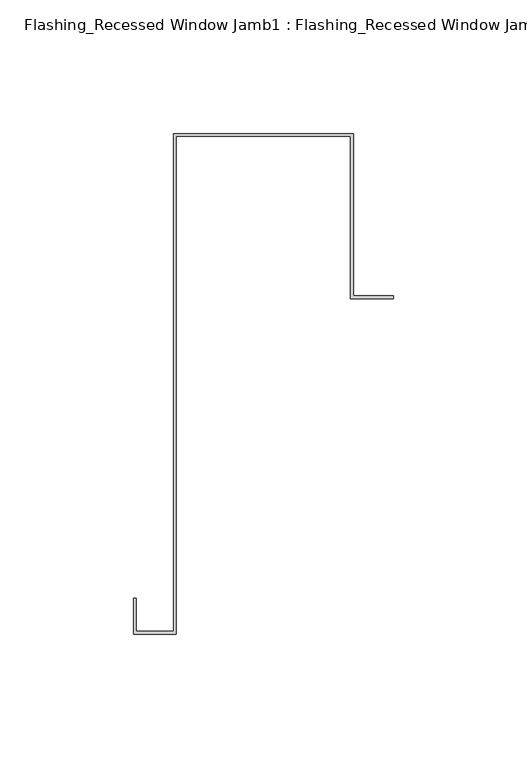
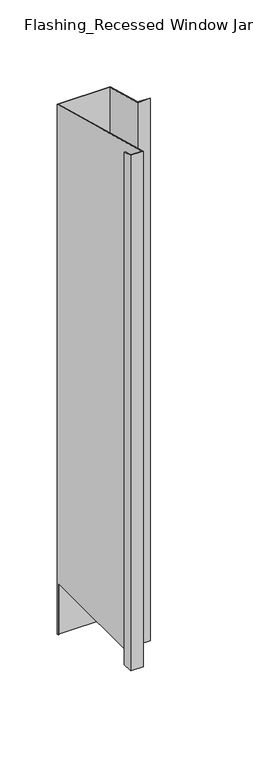
"""IFC4 building model written with IfcOpenShell, lengths in millimetres: proxy geometry, Flashing_Recessed Window Jamb1 : Flashing_Recessed Window Jamb."""

import ifcopenshell
import ifcopenshell.guid

model = None  # the IFC model being written
_history = None  # IfcOwnerHistory: only IFC2X3 demands one
_inside = {}  # id of a spatial element -> (the spatial element, [elements in it])
_under = {}  # id of a project, library or spatial element -> (it, [spatial elements below it])
_declared = {}  # id of a project -> (the project, [libraries it declares])
_typed = {}  # id of a type object -> (the type object, [elements of that type])
_made_of = {}  # id of a material, layer set ... -> (it, [elements and type objects made of it])


def new_model(schema):
    """Start an empty IFC model of exactly this schema.

    Asked for "IFC4X3", IfcOpenShell would pick the latest addendum, in which some entities
    have other attributes; the version numbers below select the first issue.
    IFC2X3 requires an IfcOwnerHistory on every rooted entity: one is made here for all.
    """
    global model, _history
    if schema == "IFC4X3":
        model = ifcopenshell.file(schema_version=(4, 3, 0, 0))
    else:
        model = ifcopenshell.file(schema=schema)
    _inside.clear()
    _under.clear()
    _declared.clear()
    _typed.clear()
    _made_of.clear()
    _history = None
    if model.schema == "IFC2X3":
        org = make("IfcOrganization", Name="unknown")
        user = make(
            "IfcPersonAndOrganization",
            ThePerson=make("IfcPerson", FamilyName="unknown"),
            TheOrganization=org,
        )
        app = make(
            "IfcApplication",
            ApplicationDeveloper=org,
            Version="unknown",
            ApplicationFullName="unknown",
            ApplicationIdentifier="unknown",
        )
        _history = make(
            "IfcOwnerHistory",
            OwningUser=user,
            OwningApplication=app,
            ChangeAction="ADDED",
            CreationDate=0,
        )
    return model


def make(cls, **values):
    """One entity of the class cls with the attributes given. An attribute that is None is left unset."""
    return model.create_entity(
        cls, **{name: value for name, value in values.items() if value is not None}
    )


def rooted(cls, **values):
    """An entity with a GlobalId (a new one), such as an element, a storey or a relation."""
    return make(cls, GlobalId=ifcopenshell.guid.new(), OwnerHistory=_history, **values)


def si_unit(unit_type, name, prefix=None):
    """IfcSIUnit, for example si_unit("LENGTHUNIT", "METRE", prefix="MILLI")."""
    return make("IfcSIUnit", UnitType=unit_type, Prefix=prefix, Name=name)


def assignment(units):
    """IfcUnitAssignment: the units of a project."""
    return None if units is None else make("IfcUnitAssignment", Units=units)


def point(xyz):
    """IfcCartesianPoint."""
    return None if xyz is None else make("IfcCartesianPoint", Coordinates=xyz)


def direction(xyz):
    """IfcDirection."""
    return None if xyz is None else make("IfcDirection", DirectionRatios=xyz)


def frame(location, z_axis=None, x_axis=None):
    """IfcAxis2Placement3D, a coordinate frame: its origin and axes. An axis left out is left unset."""
    return make(
        "IfcAxis2Placement3D",
        Location=point(location),
        Axis=direction(z_axis),
        RefDirection=direction(x_axis),
    )


def origin():
    """The frame at (0, 0, 0) with its axes left unset."""
    return frame((0.0, 0.0, 0.0))


def place(relative_to, where):
    """IfcLocalPlacement: puts the frame where relative to a parent placement (None: the world)."""
    return make(
        "IfcLocalPlacement", PlacementRelTo=relative_to, RelativePlacement=where
    )


def context(
    kind, dimensions, precision=None, world=None, true_north=None, identifier=None
):
    """IfcGeometricRepresentationContext, for example the 3D "Model" context."""
    return make(
        "IfcGeometricRepresentationContext",
        ContextIdentifier=identifier,
        ContextType=kind,
        CoordinateSpaceDimension=dimensions,
        Precision=precision,
        WorldCoordinateSystem=world,
        TrueNorth=true_north,
    )


def project(units=None, contexts=None):
    """IfcProject with its units and contexts."""
    return rooted(
        "IfcProject",
        Name="project",
        RepresentationContexts=contexts,
        UnitsInContext=assignment(units),
    )


def spatial(cls, under=None, at=None, **own):
    """A site, building, storey or space (cls), placed at a placement, below another one or the project."""
    s = rooted(cls, ObjectPlacement=at, **own)
    if under is not None:
        _under.setdefault(under.id(), (under, []))[1].append(s)
    return s


def faces_of(points, faces, orient=None, outer=None):
    """IfcFace entities. A face is a list of loops; a loop is a list of indices into points, from 0.

    orient and outer hold one flag for each loop. By default every Orientation is true, the
    first loop of a face is its IfcFaceOuterBound and the others are IfcFaceBound.
    """
    made = []
    for i, loops in enumerate(faces):
        bounds = []
        for j, loop in enumerate(loops):
            is_outer = j == 0 if outer is None else outer[i][j]
            bounds.append(
                make(
                    "IfcFaceOuterBound" if is_outer else "IfcFaceBound",
                    Bound=make("IfcPolyLoop", Polygon=[points[k] for k in loop]),
                    Orientation=True if orient is None else orient[i][j],
                )
            )
        made.append(make("IfcFace", Bounds=bounds))
    return made


def faceted_brep(points, faces, orient=None, outer=None, voids=None):
    """IfcFacetedBrep: a solid bounded by flat faces; with voids (closed shells), ...WithVoids."""
    shared = [point(p) for p in points]
    hull = make("IfcClosedShell", CfsFaces=faces_of(shared, faces, orient, outer))
    if voids is None:
        return make("IfcFacetedBrep", Outer=hull)
    return make(
        "IfcFacetedBrepWithVoids",
        Outer=hull,
        Voids=[
            make(cls, CfsFaces=faces_of(shared, fs, o, b)) for cls, fs, o, b in voids
        ],
    )


def shape(context_of_items, identifier, shape_type, items):
    """IfcShapeRepresentation: the items that make up one representation, for example the "Body"."""
    return make(
        "IfcShapeRepresentation",
        ContextOfItems=context_of_items,
        RepresentationIdentifier=identifier,
        RepresentationType=shape_type,
        Items=items,
    )


def source(mapping_origin, context_of_items, identifier, shape_type, items):
    """IfcRepresentationMap: a shape defined once, which mapped items show again and again."""
    return make(
        "IfcRepresentationMap",
        MappingOrigin=mapping_origin,
        MappedRepresentation=shape(context_of_items, identifier, shape_type, items),
    )


def transform(
    local_origin,
    x_axis=None,
    y_axis=None,
    z_axis=None,
    scale=None,
    scale2=None,
    scale3=None,
    uniform=True,
):
    """IfcCartesianTransformationOperator3D, or its non-uniform kind. x_axis, y_axis, z_axis: its Axis1, 2, 3."""
    if uniform:
        return make(
            "IfcCartesianTransformationOperator3D",
            Axis1=direction(x_axis),
            Axis2=direction(y_axis),
            LocalOrigin=point(local_origin),
            Scale=scale,
            Axis3=direction(z_axis),
        )
    return make(
        "IfcCartesianTransformationOperator3DnonUniform",
        Axis1=direction(x_axis),
        Axis2=direction(y_axis),
        LocalOrigin=point(local_origin),
        Scale=scale,
        Axis3=direction(z_axis),
        Scale2=scale2,
        Scale3=scale3,
    )


def mapped(mapping_source, mapping_target):
    """IfcMappedItem: shows the shape of a source again, moved by a transform."""
    return make(
        "IfcMappedItem", MappingSource=mapping_source, MappingTarget=mapping_target
    )


def made_of(thing, what):
    """Note that an element or type object is made of a material, layer set ...; save() writes the relation."""
    if what is not None:
        _made_of.setdefault(what.id(), (what, []))[1].append(thing)
    return thing


def element(
    cls,
    number,
    at=None,
    inside=None,
    cuts=None,
    type_object=None,
    material=None,
    context=None,
    identifier="Body",
    shape_type=None,
    held_by="IfcProductDefinitionShape",
    body=None,
    shapes=None,
    **own,
):
    """One element of the class cls, such as IfcWall. Its Tag is "e" and its number.

    at: its placement. inside: the storey or other place that contains it. cuts: it is an
    opening in that element (IfcRelVoidsElement). A single representation is given by context,
    identifier, shape_type and body (its items); several are given by shapes. held_by: the class
    of the entity that holds the representations. save() writes the other relations.
    """
    e = rooted(cls, Tag="e%d" % number, ObjectPlacement=at, **own)
    if body is not None:
        shapes = [shape(context, identifier, shape_type, body)]
    if shapes is not None:
        e.Representation = make(held_by, Representations=shapes)
    if inside is not None:
        _inside.setdefault(inside.id(), (inside, []))[1].append(e)
    if cuts is not None:
        rooted(
            "IfcRelVoidsElement", RelatingBuildingElement=cuts, RelatedOpeningElement=e
        )
    if type_object is not None:
        _typed.setdefault(type_object.id(), (type_object, []))[1].append(e)
    return made_of(e, material)


def aggregate(whole, parts):
    """IfcRelAggregates: a whole, such as a stair, and the parts it consists of."""
    return rooted("IfcRelAggregates", RelatingObject=whole, RelatedObjects=parts)


def save(model, path):
    """Write the relations noted so far, then the file.

    IfcRelAggregates (storeys below a building ...), IfcRelContainedInSpatialStructure (elements
    in a storey), IfcRelDefinesByType, IfcRelAssociatesMaterial and IfcRelDeclares: one each for
    every whole, place, type object, material and project.
    """
    for whole, parts in _under.values():
        aggregate(whole, parts)
    for where, things in _inside.values():
        rooted(
            "IfcRelContainedInSpatialStructure",
            RelatedElements=things,
            RelatingStructure=where,
        )
    for kind, things in _typed.values():
        rooted("IfcRelDefinesByType", RelatedObjects=things, RelatingType=kind)
    for what, things in _made_of.values():
        rooted("IfcRelAssociatesMaterial", RelatedObjects=things, RelatingMaterial=what)
    for by, libraries in _declared.values():
        rooted("IfcRelDeclares", RelatingContext=by, RelatedDefinitions=libraries)
    model.write(path)


def flashing_recessed_window_jamb1_flashing_recessed_window_jamb_a55a7915(model_context):
    return source(origin(), model_context, "Body", "Brep", [
        faceted_brep([(13692.8541786, 596.9865096, -1055.1751138), (13692.8541786, 657.7344915, -1055.1751138), (13627.4791786, 657.7344915, -1055.1751138), (13627.4791786, 656.8026399, -1055.1751138), (13626.4791786, 656.8026399, -1055.1751138), (13626.4791786, 658.7344915, -1055.1751138), (13693.8541786, 658.7344915, -1055.1751138), (13693.8541786, 597.9865096, -1055.1751138), (13708.8541786, 597.9865096, -1055.1751138), (13708.8541786, 596.9865096, -1055.1751138), (13693.8541786, 658.7344915, -343.2151173), (13693.8541786, 597.9865096, -326.9377446), (13626.4791786, 658.7344915, -343.2151173), (13626.4791786, 656.8026399, -985.662203), (13626.4791786, 472.3615096, -985.662203), (13626.4791786, 472.3615096, -293.2766273), (13612.4791786, 472.3615096, -293.2766273), (13612.4791786, 472.3615096, -985.662203), (13612.4791786, 484.6872381, -296.5792963), (13612.4791786, 484.6872381, -985.662203), (13611.4791786, 484.6872381, -296.5792963), (13611.4791786, 484.6872381, -985.662203), (13611.4791786, 471.3615096, -293.0086781), (13611.4791786, 471.3615096, -985.662203), (13627.4791786, 471.3615096, -293.0086781), (13627.4791786, 471.3615096, -985.662203), (13627.4791786, 657.7344915, -342.9471681), (13627.4791786, 656.8026399, -985.662203), (13692.8541786, 657.7344915, -342.9471681), (13692.8541786, 596.9865096, -326.6697954), (13708.8541786, 596.9865096, -326.6697954), (13708.8541786, 597.9865096, -326.9377446)], [[[0, 1, 2, 3, 4, 5, 6, 7, 8, 9]], [[7, 6, 10, 11]], [[6, 5, 12, 10]], [[12, 5, 4, 13, 14, 15]], [[16, 15, 14, 17]], [[18, 16, 17, 19]], [[20, 18, 19, 21]], [[22, 20, 21, 23]], [[24, 22, 23, 25]], [[2, 26, 24, 25, 27, 3]], [[2, 1, 28, 26]], [[1, 0, 29, 28]], [[0, 9, 30, 29]], [[9, 8, 31, 30]], [[8, 7, 11, 31]], [[11, 10, 12, 15, 16, 18, 20, 22, 24, 26, 28, 29, 30, 31]], [[13, 27, 25, 23, 21, 19, 17, 14]], [[27, 13, 4, 3]]]),
    ])


if __name__ == "__main__":
    model = new_model("IFC4")
    model_context = context("Model", 3, world=origin())
    ifc_project = project(units=[si_unit("LENGTHUNIT", "METRE", prefix="MILLI")], contexts=[model_context])
    site = spatial("IfcSite", under=ifc_project)
    building = spatial("IfcBuilding", under=site)
    placement = place(None, origin())
    flashing_recessed_window_jamb1_flashing_recessed_window_jamb_shape = flashing_recessed_window_jamb1_flashing_recessed_window_jamb_a55a7915(model_context)
    element("IfcBuildingElementProxy", 1, Name="Flashing_Recessed Window Jamb1 : Flashing_Recessed Window Jamb", ObjectType="Flashing_Recessed Window Jamb1 : Flashing_Recessed Window Jamb", at=placement, inside=building, context=model_context, shape_type="MappedRepresentation", body=[
        mapped(flashing_recessed_window_jamb1_flashing_recessed_window_jamb_shape, transform((0.0, 0.0, 0.0), x_axis=(1.0, 0.0, 0.0), y_axis=(0.0, 1.0, 0.0), z_axis=(0.0, 0.0, 1.0))),
    ])
    save(model, "model.ifc")
